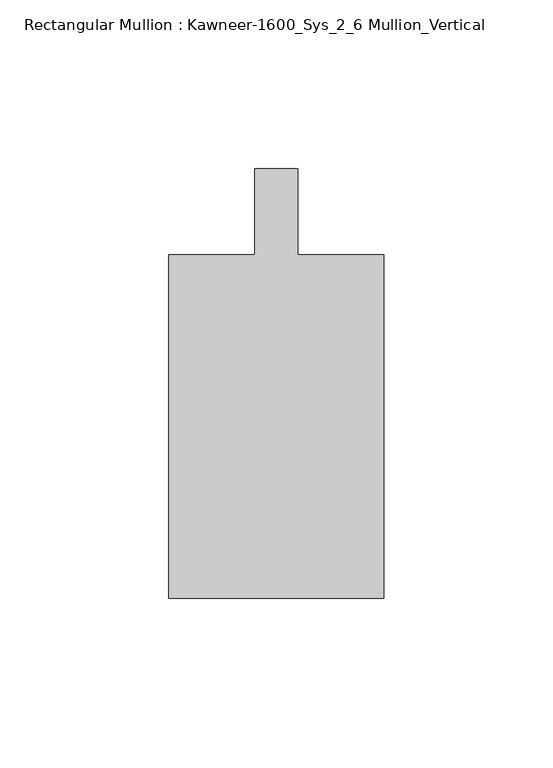
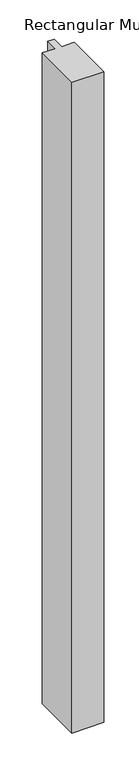
"""IFC4 building model written with IfcOpenShell, lengths in millimetres: member geometry, Rectangular Mullion : Kawneer-1600_Sys_2_6 Mullion_Vertical."""

from ifc_helpers import new_model, si_unit, frame, origin, place, context, project, spatial, polyline, outline, extrude, source, transform, mapped, element, save


def rectangular_mullion_kawneer_1600_sys_2_6_mullion_vertical_7c18cb94(model_context):
    return source(origin(), model_context, "Body", "SweptSolid", [
        extrude(outline(polyline([(36.0844027, -114.3), (-27.4155973, -114.3), (-27.4155973, -12.7), (-2.0155973, -12.7), (-2.0155973, 12.7), (10.6844027, 12.7), (10.6844027, -12.7), (36.0844027, -12.7), (36.0844027, -114.3)])), frame((0.0, 0.0, -1363.4555973), z_axis=(0.0, 0.0, 1.0), x_axis=(1.0, 0.0, 0.0)), (0.0, 0.0, 1.0), 1363.4555973),
    ])


if __name__ == "__main__":
    model = new_model("IFC4")
    model_context = context("Model", 3, world=origin())
    ifc_project = project(units=[si_unit("LENGTHUNIT", "METRE", prefix="MILLI")], contexts=[model_context])
    site = spatial("IfcSite", under=ifc_project)
    building = spatial("IfcBuilding", under=site)
    placement = place(None, origin())
    rectangular_mullion_kawneer_1600_sys_2_6_mullion_vertical_shape = rectangular_mullion_kawneer_1600_sys_2_6_mullion_vertical_7c18cb94(model_context)
    element("IfcMember", 1, ObjectType="Rectangular Mullion : Kawneer-1600_Sys_2_6 Mullion_Vertical", at=placement, inside=building, context=model_context, shape_type="MappedRepresentation", body=[
        mapped(rectangular_mullion_kawneer_1600_sys_2_6_mullion_vertical_shape, transform((0.0, 0.0, 0.0), x_axis=(1.0, 0.0, 0.0), y_axis=(0.0, 1.0, 0.0), z_axis=(0.0, 0.0, 1.0))),
    ])
    save(model, "model.ifc")
